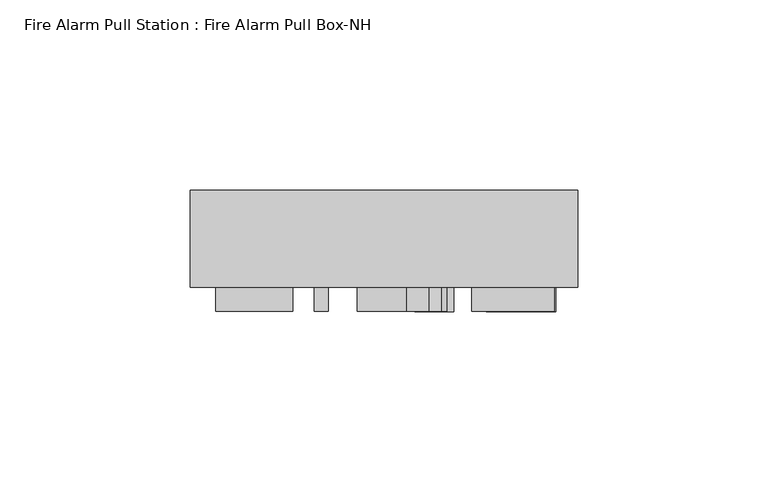
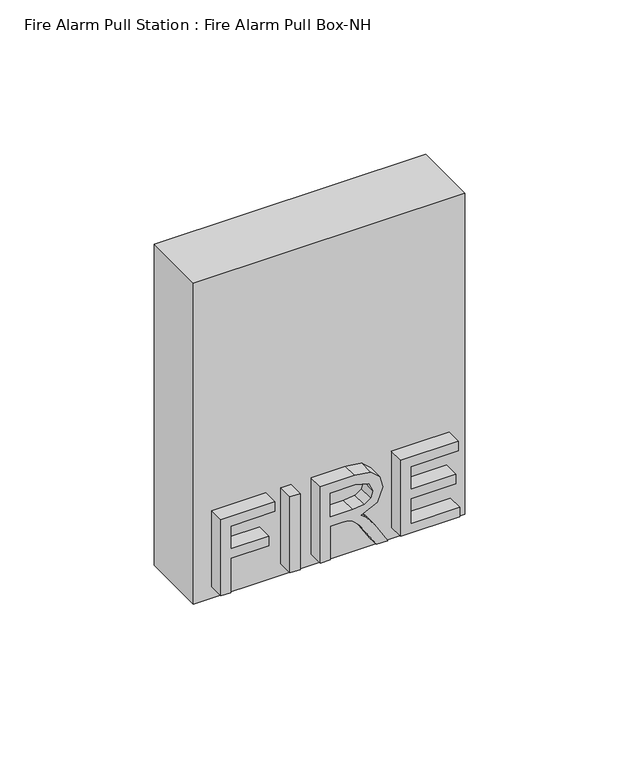
"""IFC4 building model written with IfcOpenShell, lengths in millimetres: alarm geometry, Fire Alarm Pull Station : Fire Alarm Pull Box-NH."""

from ifc_helpers import new_model, si_unit, frame, origin, place, context, project, spatial, polyline, outline, extrude, source, transform, mapped, element, save


def fire_alarm_pull_station_fire_alarm_pull_box_nh_4ffe0b25(model_context):
    return source(origin(), model_context, "Body", "SweptSolid", [
        extrude(outline(polyline([(50.8, -25.4), (-50.8, -25.4), (-50.8, 0.0), (50.8, 0.0), (50.8, -25.4)])), frame((0.0, 0.0, 1016.0), z_axis=(0.0, 0.0, 1.0), x_axis=(1.0, 0.0, 0.0)), (0.0, 0.0, 1.0), 127.0),
        extrude(outline(polyline([(1020.7625, -44.1935577), (1020.7625, -40.4324038), (1034.3966827, -40.4324038), (1034.3966827, -26.3280769), (1038.1578365, -26.3280769), (1038.1578365, -40.4324038), (1047.0905769, -40.4324038), (1047.0905769, -23.9773558), (1050.8517308, -23.9773558), (1050.8517308, -44.1935577), (1020.7625, -44.1935577)])), frame((0.0, -31.75, 0.0), z_axis=(0.0, 1.0, 0.0), x_axis=(0.0, 0.0, 1.0)), (0.0, 0.0, 1.0), 6.35),
        extrude(outline(polyline([(-14.5744712, -31.75), (-18.335625, -31.75), (-18.335625, -25.4), (-14.5744712, -25.4), (-14.5744712, -31.75)])), frame((0.0, 0.0, 1020.7625), z_axis=(0.0, 0.0, 1.0), x_axis=(1.0, 0.0, 0.0)), (0.0, 0.0, 1.0), 30.0892308),
        extrude(outline(polyline([(1020.7625, -7.0521635), (1020.7625, -3.2910096), (1033.9265385, -3.2910096), (1033.9265385, 1.2488206), (1033.7943104, 3.4305837), (1033.078075, 5.2193356), (1031.1277111, 7.2064295), (1026.9992571, 10.0346409), (1020.7625, 13.9500608), (1020.7625, 18.320933), (1028.916564, 13.3036125), (1032.7879079, 10.255021), (1034.3966827, 8.117334), (1037.1955101, 14.4165321), (1042.6168607, 16.4550481), (1047.16771, 15.2245925), (1050.0399974, 11.9335829), (1050.8517308, 5.9135329), (1050.8517308, -7.0521635), (1020.7625, -7.0521635)]), holes=[polyline([(1037.6876923, -3.2910096), (1047.0905769, -3.2910096), (1047.0905769, 6.075145), (1045.7903343, 11.1034845), (1042.4772867, 12.6938942), (1039.9245504, 11.8601228), (1038.2202776, 9.4212496), (1037.6876923, 5.1275105), (1037.6876923, -3.2910096)])]), frame((0.0, -31.75, 0.0), z_axis=(0.0, 1.0, 0.0), x_axis=(0.0, 0.0, 1.0)), (0.0, 0.0, 1.0), 6.35),
        extrude(outline(polyline([(1020.7625, 23.0370673), (1020.7625, 45.1338462), (1024.5236538, 45.1338462), (1024.5236538, 26.7982212), (1034.3966827, 26.7982212), (1034.3966827, 43.7234135), (1038.1578365, 43.7234135), (1038.1578365, 26.7982212), (1047.0905769, 26.7982212), (1047.0905769, 44.6637019), (1050.8517308, 44.6637019), (1050.8517308, 23.0370673), (1020.7625, 23.0370673)])), frame((0.0, -31.75, 0.0), z_axis=(0.0, 1.0, 0.0), x_axis=(0.0, 0.0, 1.0)), (0.0, 0.0, 1.0), 6.35),
    ])


if __name__ == "__main__":
    model = new_model("IFC4")
    model_context = context("Model", 3, world=origin())
    ifc_project = project(units=[si_unit("LENGTHUNIT", "METRE", prefix="MILLI")], contexts=[model_context])
    site = spatial("IfcSite", under=ifc_project)
    building = spatial("IfcBuilding", under=site)
    placement = place(None, origin())
    fire_alarm_pull_station_fire_alarm_pull_box_nh_shape = fire_alarm_pull_station_fire_alarm_pull_box_nh_4ffe0b25(model_context)
    element("IfcAlarm", 1, ObjectType="Fire Alarm Pull Station : Fire Alarm Pull Box-NH", at=placement, inside=building, context=model_context, shape_type="MappedRepresentation", body=[
        mapped(fire_alarm_pull_station_fire_alarm_pull_box_nh_shape, transform((0.0, 0.0, 0.0), x_axis=(1.0, 0.0, 0.0), y_axis=(0.0, 1.0, 0.0), z_axis=(0.0, 0.0, 1.0))),
    ])
    save(model, "model.ifc")
